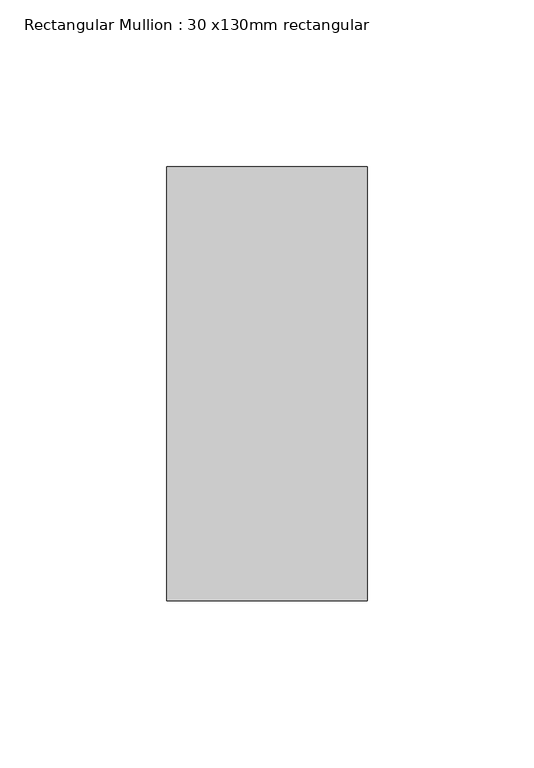
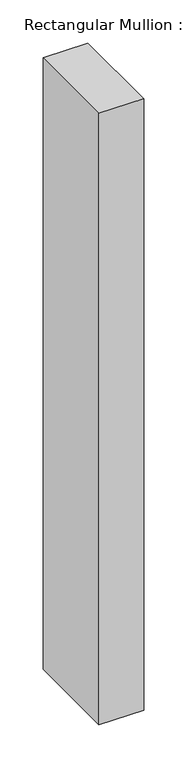
"""IFC4 building model written with IfcOpenShell, lengths in millimetres: member geometry, Rectangular Mullion : 30 x130mm rectangular."""

from ifc_helpers import new_model, si_unit, frame, origin, place, context, project, spatial, polyline, outline, extrude, source, transform, mapped, element, save


def rectangular_mullion_30_x130mm_rectangular_780b22ff(model_context):
    return source(origin(), model_context, "Body", "SweptSolid", [
        extrude(outline(polyline([(0.0, 65.0), (0.0, -65.0), (-60.0, -65.0), (-60.0, 65.0), (0.0, 65.0)])), frame((0.0, 0.0, -867.6825546), z_axis=(0.0, 0.0, 1.0), x_axis=(1.0, 0.0, 0.0)), (0.0, 0.0, 1.0), 867.6825546),
    ])


if __name__ == "__main__":
    model = new_model("IFC4")
    model_context = context("Model", 3, world=origin())
    ifc_project = project(units=[si_unit("LENGTHUNIT", "METRE", prefix="MILLI")], contexts=[model_context])
    site = spatial("IfcSite", under=ifc_project)
    building = spatial("IfcBuilding", under=site)
    placement = place(None, origin())
    rectangular_mullion_30_x130mm_rectangular_shape = rectangular_mullion_30_x130mm_rectangular_780b22ff(model_context)
    element("IfcMember", 1, ObjectType="Rectangular Mullion : 30 x130mm rectangular", at=placement, inside=building, context=model_context, shape_type="MappedRepresentation", body=[
        mapped(rectangular_mullion_30_x130mm_rectangular_shape, transform((0.0, 0.0, 0.0), x_axis=(1.0, 0.0, 0.0), y_axis=(0.0, 1.0, 0.0), z_axis=(0.0, 0.0, 1.0))),
    ])
    save(model, "model.ifc")
